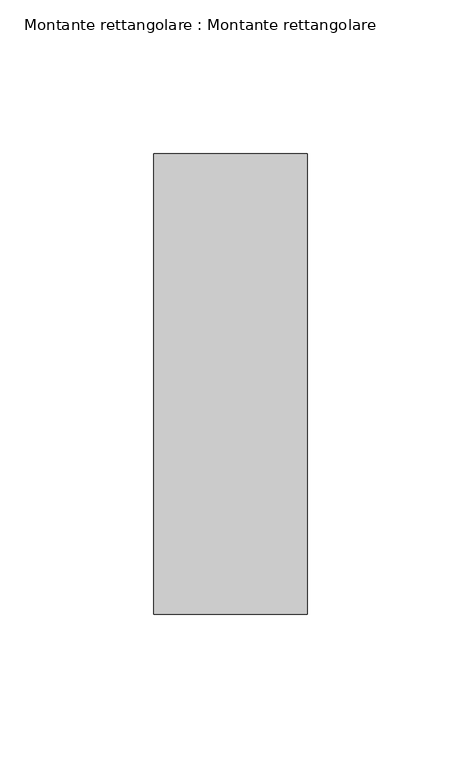
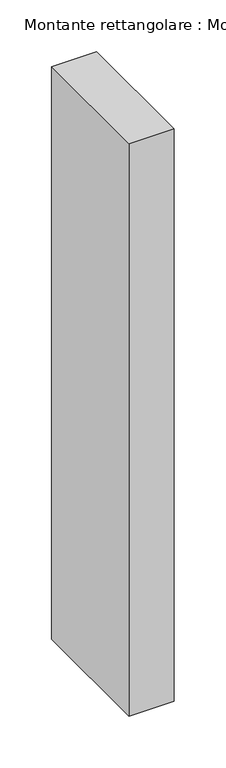
"""IFC4 building model written with IfcOpenShell, lengths in millimetres: member geometry, Montante rettangolare : Montante rettangolare."""

from ifc_helpers import new_model, si_unit, frame, origin, place, context, project, spatial, polyline, outline, extrude, source, transform, mapped, element, save


def montante_rettangolare_montante_rettangolare_9e0f1e24(model_context):
    return source(origin(), model_context, "Body", "SweptSolid", [
        extrude(outline(polyline([(25.0, 75.0), (25.0, -75.0), (-25.0, -75.0), (-25.0, 75.0), (25.0, 75.0)])), frame((0.0, 0.0, -675.0), z_axis=(0.0, 0.0, 1.0), x_axis=(1.0, 0.0, 0.0)), (0.0, 0.0, 1.0), 675.0),
    ])


if __name__ == "__main__":
    model = new_model("IFC4")
    model_context = context("Model", 3, world=origin())
    ifc_project = project(units=[si_unit("LENGTHUNIT", "METRE", prefix="MILLI")], contexts=[model_context])
    site = spatial("IfcSite", under=ifc_project)
    building = spatial("IfcBuilding", under=site)
    placement = place(None, origin())
    montante_rettangolare_montante_rettangolare_shape = montante_rettangolare_montante_rettangolare_9e0f1e24(model_context)
    element("IfcMember", 1, ObjectType="Montante rettangolare : Montante rettangolare", at=placement, inside=building, context=model_context, shape_type="MappedRepresentation", body=[
        mapped(montante_rettangolare_montante_rettangolare_shape, transform((0.0, 0.0, 0.0), x_axis=(1.0, 0.0, 0.0), y_axis=(0.0, 1.0, 0.0), z_axis=(0.0, 0.0, 1.0))),
    ])
    save(model, "model.ifc")
